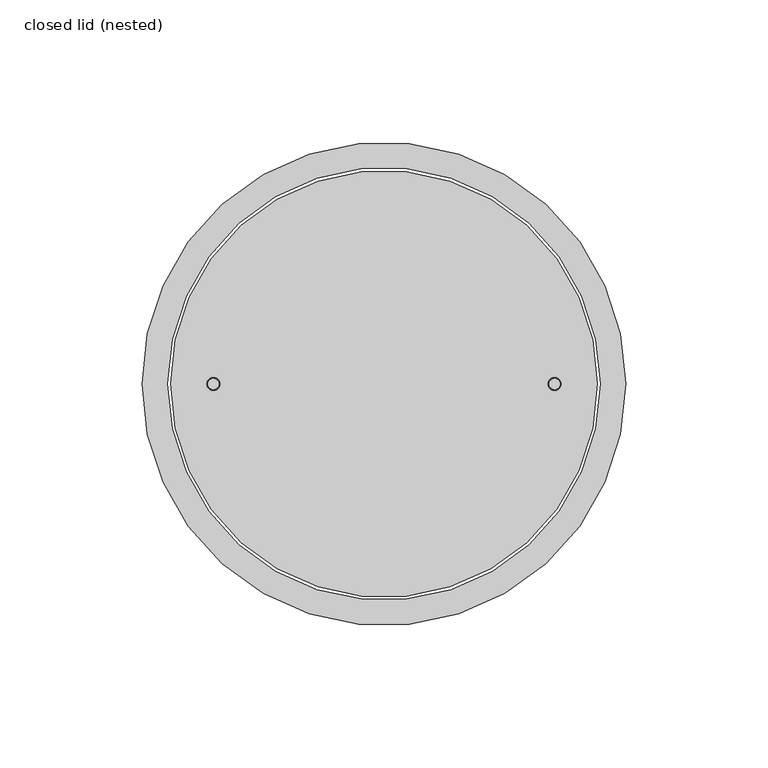
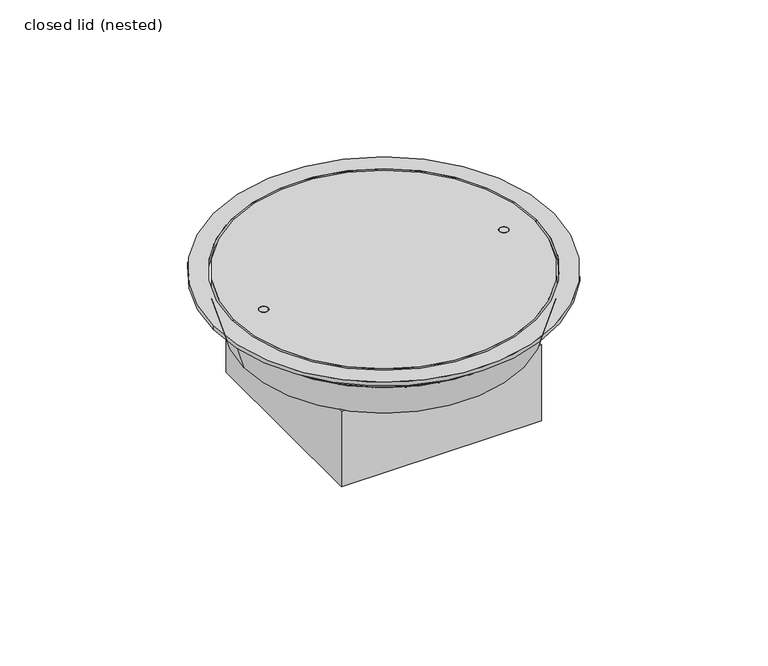
"""IFC4 building model written with IfcOpenShell, lengths in millimetres: outlet geometry, closed lid (nested)."""

from ifc_helpers import new_model, si_unit, point, frame, frame_2d, origin, origin_with_axes, origin_2d, place, context, project, spatial, polyline, circle_curve, trimmed, segment, composite_curve, outline, extrude, faceted_brep, source, transform, mapped, element, save
from ifc_brep_helpers import plane_surface, revolved_surface, advanced_brep


def closed_lid_nested_c0d367d0(model_context):
    return source(origin(), model_context, "Body", "SolidModel", [
        faceted_brep([(50.0, 50.0, -25.0), (-50.0, 50.0, -25.0), (-50.0, -50.0, -25.0), (50.0, -50.0, -25.0), (-45.0, 22.5, -25.0), (45.0, 22.5, -25.0), (45.0, -22.5, -25.0), (-45.0, -22.5, -25.0), (50.0, 50.0, -65.0), (50.0, -50.0, -65.0), (-50.0, -50.0, -65.0), (-50.0, 50.0, -65.0), (45.0, 22.5, -48.0), (-45.0, 22.5, -48.0), (-45.0, -22.5, -48.0), (45.0, -22.5, -48.0)], [[[0, 1, 2, 3], [4, 5, 6, 7]], [[8, 9, 10, 11]], [[1, 0, 8, 11]], [[2, 1, 11, 10]], [[3, 2, 10, 9]], [[0, 3, 9, 8]], [[12, 13, 14, 15]], [[13, 12, 5, 4]], [[14, 13, 4, 7]], [[15, 14, 7, 6]], [[12, 15, 6, 5]]]),
        advanced_brep(
        [(-70.0, 0.0, -25.0), (70.0, 0.0, -25.0), (45.0, 22.5, -25.0), (-45.0, 22.5, -25.0), (-45.0, -22.5, -25.0), (45.0, -22.5, -25.0), (-75.0, 0.0, -8.0), (75.0, 0.0, -8.0), (-45.0, 22.5, -8.0), (45.0, 22.5, -8.0), (45.0, -22.5, -8.0), (-45.0, -22.5, -8.0)],
        [
            (0, 1, circle_curve(frame((0.0, 0.0, -25.0), z_axis=(0.0, 0.0, -1.0), x_axis=(-1.0, 0.0, 0.0)), 70.0)),
            (1, 0, circle_curve(frame((0.0, 0.0, -25.0), z_axis=(0.0, 0.0, -1.0), x_axis=(1.0, 0.0, 0.0)), 70.0)),
            (2, 3),
            (3, 4),
            (4, 5),
            (5, 2),
            (6, 7, circle_curve(frame((0.0, 0.0, -8.0), z_axis=(0.0, 0.0, 1.0), x_axis=(1.0, 0.0, 0.0)), 75.0)),
            (7, 6, circle_curve(frame((0.0, 0.0, -8.0), z_axis=(0.0, 0.0, 1.0), x_axis=(-1.0, 0.0, 0.0)), 75.0)),
            (8, 9),
            (9, 10),
            (10, 11),
            (11, 8),
            (0, 6),
            (7, 1),
            (2, 9),
            (8, 3),
            (11, 4),
            (10, 5),
        ],
        [
            plane_surface(frame((0.0, 0.0, -25.0), z_axis=(0.0, 0.0, -1.0), x_axis=(0.0, -1.0, 0.0))),
            plane_surface(frame((0.0, 0.0, -8.0), z_axis=(0.0, 0.0, 1.0), x_axis=(0.0, -1.0, 0.0))),
            revolved_surface(polyline([(-70.0, 0.0, -25.0), (-75.0, 0.0, -8.0)]), (0.0, 0.0, -263.0), (0.0, 0.0, 1.0)),
            revolved_surface(polyline([(70.0, 0.0, -25.0), (75.0, 0.0, -8.0)]), (0.0, 0.0, -263.0), (0.0, 0.0, 1.0)),
            plane_surface(frame((45.0, 22.5, -8.0), z_axis=(0.0, -1.0, 0.0), x_axis=(0.0, 0.0, -1.0))),
            plane_surface(frame((-45.0, 22.5, -8.0), z_axis=(1.0, 0.0, 0.0), x_axis=(0.0, 0.0, -1.0))),
            plane_surface(frame((-45.0, -22.5, -8.0), z_axis=(0.0, 1.0, 0.0), x_axis=(0.0, 0.0, -1.0))),
            plane_surface(frame((45.0, -22.5, -8.0), z_axis=(-1.0, 0.0, 0.0), x_axis=(0.0, 0.0, -1.0))),
        ],
        [
            (0, [[1, 2], [3, 4, 5, 6]]),
            (1, [[7, 8], [9, 10, 11, 12]]),
            (2, [[-1, 13, -8, 14]]),
            (3, [[-2, -14, -7, -13]]),
            (4, [[15, -9, 16, -3]]),
            (5, [[-16, -12, 17, -4]]),
            (6, [[-17, -11, 18, -5]]),
            (7, [[-15, -6, -18, -10]]),
        ],
    ),
        extrude(outline(composite_curve([segment(trimmed(circle_curve(frame_2d((-60.0, 0.0)), 2.0), [point((-62.0, 0.0))], [point((-58.0, 0.0))], False, "CARTESIAN"), True, "CONTINUOUS"), segment(trimmed(circle_curve(frame_2d((-60.0, 0.0)), 2.0), [point((-58.0, 0.0))], [point((-62.0, 0.0))], False, "CARTESIAN"), True, "CONTINUOUS")], self_intersect=False)), frame((0.0, 0.0, -8.0), z_axis=(0.0, 0.0, 1.0), x_axis=(1.0, 0.0, 0.0)), (0.0, 0.0, 1.0), 10.0),
        extrude(outline(composite_curve([segment(trimmed(circle_curve(frame_2d((60.0, 0.0)), 2.0), [point((58.0, 0.0))], [point((62.0, 0.0))], False, "CARTESIAN"), True, "CONTINUOUS"), segment(trimmed(circle_curve(frame_2d((60.0, 0.0)), 2.0), [point((62.0, 0.0))], [point((58.0, 0.0))], False, "CARTESIAN"), True, "CONTINUOUS")], self_intersect=False)), frame((0.0, 0.0, -8.0), z_axis=(0.0, 0.0, 1.0), x_axis=(1.0, 0.0, 0.0)), (0.0, 0.0, 1.0), 10.0),
        extrude(outline(composite_curve([segment(trimmed(circle_curve(origin_2d(), 75.0), [point((-75.0, 0.0))], [point((75.0, 0.0))], False, "CARTESIAN"), True, "CONTINUOUS"), segment(trimmed(circle_curve(origin_2d(), 75.0), [point((75.0, 0.0))], [point((-75.0, 0.0))], False, "CARTESIAN"), True, "CONTINUOUS")], self_intersect=False), holes=[composite_curve([segment(trimmed(circle_curve(frame_2d((-60.0, 0.0)), 2.25), [point((-62.25, 0.0))], [point((-57.75, 0.0))], True, "CARTESIAN"), True, "CONTINUOUS"), segment(trimmed(circle_curve(frame_2d((-60.0, 0.0)), 2.25), [point((-57.75, 0.0))], [point((-62.25, 0.0))], True, "CARTESIAN"), True, "CONTINUOUS")], self_intersect=False), composite_curve([segment(trimmed(circle_curve(frame_2d((60.0, 0.0)), 2.25), [point((57.75, 0.0))], [point((62.25, 0.0))], True, "CARTESIAN"), True, "CONTINUOUS"), segment(trimmed(circle_curve(frame_2d((60.0, 0.0)), 2.25), [point((62.25, 0.0))], [point((57.75, 0.0))], True, "CARTESIAN"), True, "CONTINUOUS")], self_intersect=False)]), frame((0.0, 0.0, -8.0), z_axis=(0.0, 0.0, 1.0), x_axis=(1.0, 0.0, 0.0)), (0.0, 0.0, 1.0), 10.0),
        extrude(outline(composite_curve([segment(trimmed(circle_curve(origin_2d(), 85.0), [point((-85.0, 0.0))], [point((85.0, 0.0))], False, "CARTESIAN"), True, "CONTINUOUS"), segment(trimmed(circle_curve(origin_2d(), 85.0), [point((85.0, 0.0))], [point((-85.0, 0.0))], False, "CARTESIAN"), True, "CONTINUOUS")], self_intersect=False), holes=[composite_curve([segment(trimmed(circle_curve(origin_2d(), 76.0), [point((-76.0, 0.0))], [point((76.0, 0.0))], True, "CARTESIAN"), True, "CONTINUOUS"), segment(trimmed(circle_curve(origin_2d(), 76.0), [point((76.0, 0.0))], [point((-76.0, 0.0))], True, "CARTESIAN"), True, "CONTINUOUS")], self_intersect=False)]), origin_with_axes(), (0.0, 0.0, 1.0), 2.0),
    ])


if __name__ == "__main__":
    model = new_model("IFC4")
    model_context = context("Model", 3, world=origin())
    ifc_project = project(units=[si_unit("LENGTHUNIT", "METRE", prefix="MILLI")], contexts=[model_context])
    site = spatial("IfcSite", under=ifc_project)
    building = spatial("IfcBuilding", under=site)
    placement = place(None, origin())
    closed_lid_nested_shape = closed_lid_nested_c0d367d0(model_context)
    element("IfcOutlet", 1, ObjectType="closed lid (nested)", at=placement, inside=building, context=model_context, shape_type="MappedRepresentation", body=[
        mapped(closed_lid_nested_shape, transform((0.0, 0.0, 0.0), x_axis=(1.0, 0.0, 0.0), y_axis=(0.0, 1.0, 0.0), z_axis=(0.0, 0.0, 1.0))),
    ])
    save(model, "model.ifc")
